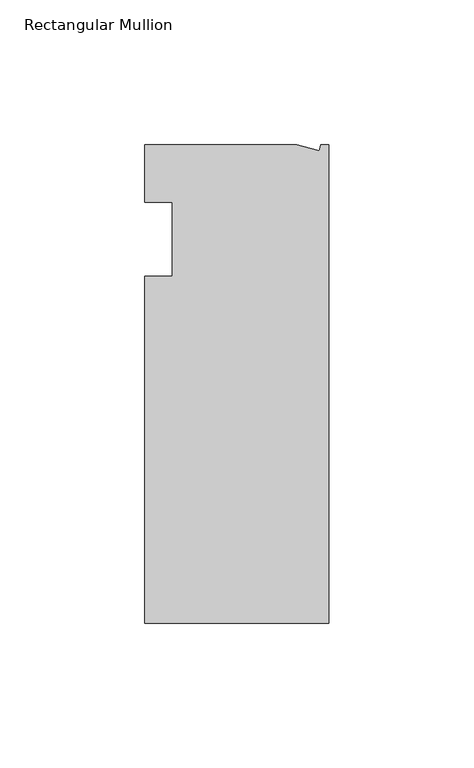
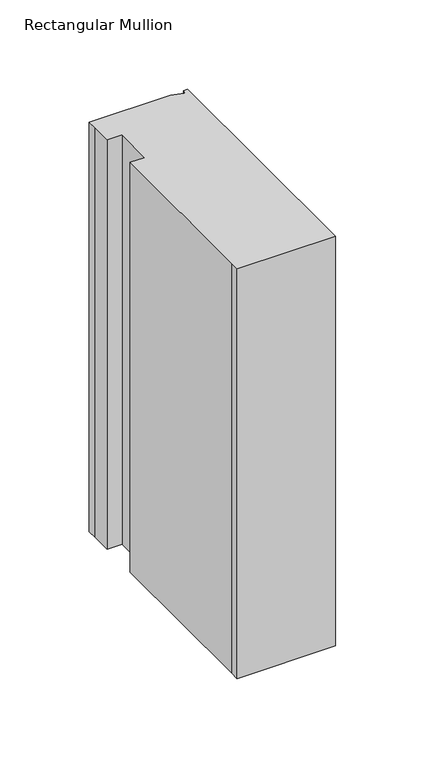
"""IFC4 building model written with IfcOpenShell, lengths in millimetres: member geometry, Rectangular Mullion."""

from ifc_helpers import new_model, si_unit, origin, place, context, project, spatial, faceted_brep, source, transform, mapped, element, save


def rectangular_mullion_b8de2920(model_context):
    return source(origin(), model_context, "Body", "Brep", [
        faceted_brep([(0.0, -132.5561012, 0.0), (0.0, 32.5438988, 0.0), (-2.7630634, 32.5438988, 0.0), (-3.3223696, 30.4565397, 0.0), (-11.1125, 32.5438988, 0.0), (-63.5076469, 32.5438988, 0.0), (-63.5076469, 26.1938988, 0.0), (-63.5, 12.7, 0.0), (-53.975, 12.7, 0.0), (-53.975, -12.8488281, 0.0), (-63.5, -12.8488281, 0.0), (-63.5, -126.2061012, 0.0), (-63.5, -132.5561012, 0.0), (0.0, -132.5561012, -279.4), (-63.5, -132.5561012, -279.4), (-63.5, -126.2061012, -279.4), (-63.5, -12.8488281, -279.4), (-53.975, -12.8488281, -279.4), (-53.975, 12.7, -279.4), (-63.5, 12.7, -279.4), (-63.5, 26.1938988, -279.4), (-63.5076469, 32.5438988, -279.4), (-11.1125, 32.5438988, -279.4), (-3.3223696, 30.4565397, -279.4), (-2.7630634, 32.5438988, -279.4), (0.0, 32.5438988, -279.4)], [[[0, 1, 2, 3, 4, 5, 6, 7, 8, 9, 10, 11, 12]], [[13, 14, 15, 16, 17, 18, 19, 20, 21, 22, 23, 24, 25]], [[1, 0, 13, 25]], [[2, 1, 25, 24]], [[3, 2, 24, 23]], [[4, 3, 23, 22]], [[5, 4, 22, 21]], [[7, 6, 20, 19]], [[8, 7, 19, 18]], [[9, 8, 18, 17]], [[10, 9, 17, 16]], [[11, 10, 16, 15]], [[0, 12, 14, 13]], [[6, 5, 21, 20]], [[12, 11, 15, 14]]]),
    ])


if __name__ == "__main__":
    model = new_model("IFC4")
    model_context = context("Model", 3, world=origin())
    ifc_project = project(units=[si_unit("LENGTHUNIT", "METRE", prefix="MILLI")], contexts=[model_context])
    site = spatial("IfcSite", under=ifc_project)
    building = spatial("IfcBuilding", under=site)
    placement = place(None, origin())
    rectangular_mullion_shape = rectangular_mullion_b8de2920(model_context)
    element("IfcMember", 1, ObjectType="Rectangular Mullion", at=placement, inside=building, context=model_context, shape_type="MappedRepresentation", body=[
        mapped(rectangular_mullion_shape, transform((0.0, 0.0, 0.0), x_axis=(1.0, 0.0, 0.0), y_axis=(0.0, 1.0, 0.0), z_axis=(0.0, 0.0, 1.0))),
    ])
    save(model, "model.ifc")
